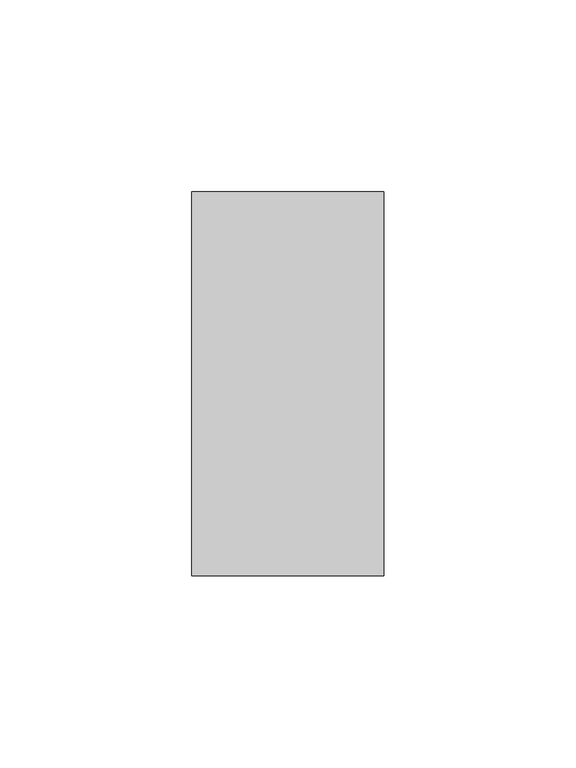
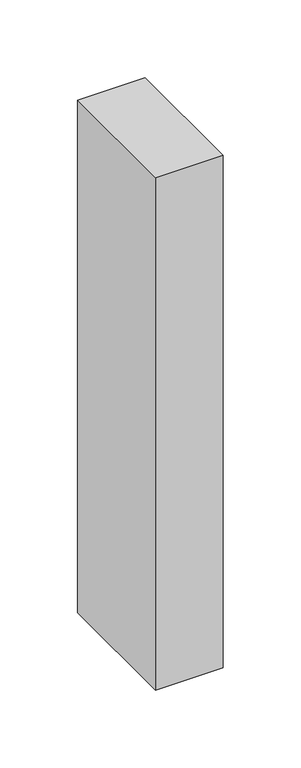
"""IFC4 building model written with IfcOpenShell, lengths in millimetres: member geometry."""

from ifc_helpers import new_model, si_unit, frame, origin, place, context, project, spatial, polyline, outline, extrude, source, transform, mapped, element, save


def member_c9471b9f(model_context):
    return source(origin(), model_context, "Body", "SweptSolid", [
        extrude(outline(polyline([(25.0, 50.0), (25.0, -50.0), (-25.0, -50.0), (-25.0, 50.0), (25.0, 50.0)])), frame((0.0, 0.0, -401.7066473), z_axis=(0.0, 0.0, 1.0), x_axis=(1.0, 0.0, 0.0)), (0.0, 0.0, 1.0), 401.7066473),
    ])


if __name__ == "__main__":
    model = new_model("IFC4")
    model_context = context("Model", 3, world=origin())
    ifc_project = project(units=[si_unit("LENGTHUNIT", "METRE", prefix="MILLI")], contexts=[model_context])
    site = spatial("IfcSite", under=ifc_project)
    building = spatial("IfcBuilding", under=site)
    placement = place(None, origin())
    member_shape = member_c9471b9f(model_context)
    element("IfcMember", 1, at=placement, inside=building, context=model_context, shape_type="MappedRepresentation", body=[
        mapped(member_shape, transform((0.0, 0.0, 0.0), x_axis=(1.0, 0.0, 0.0), y_axis=(0.0, 1.0, 0.0), z_axis=(0.0, 0.0, 1.0))),
    ])
    save(model, "model.ifc")
